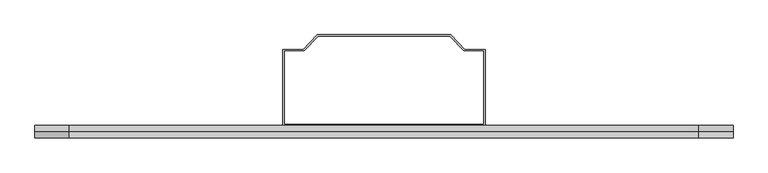
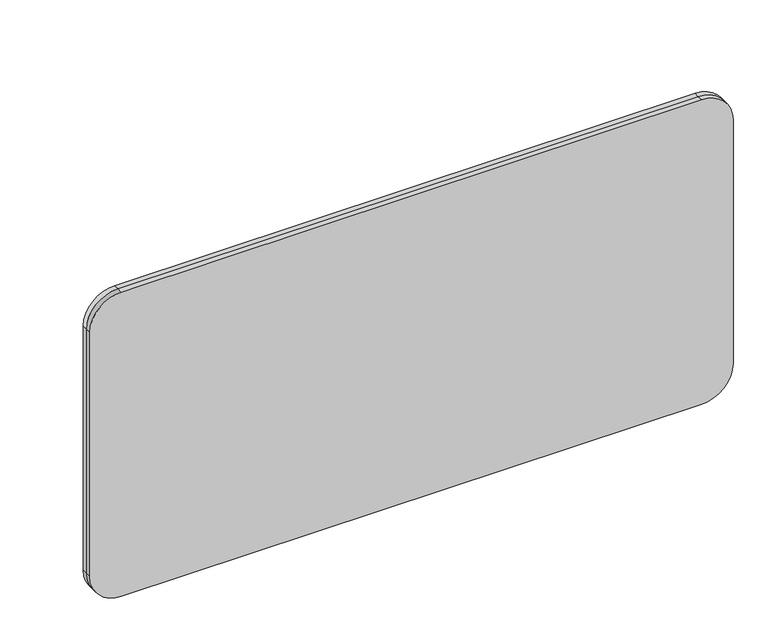
"""IFC4 building model written with IfcOpenShell, lengths in millimetres: furniture geometry."""

from ifc_helpers import new_model, si_unit, point, frame, frame_2d, origin, place, context, project, spatial, polyline, circle_curve, trimmed, segment, composite_curve, outline, extrude, faceted_brep, source, transform, mapped, element, save


def furniture_070557a1(model_context):
    return source(origin(), model_context, "Body", "SolidModel", [
        extrude(outline(composite_curve([segment(trimmed(circle_curve(frame_2d((343.0486731, 135.89)), 59.69), [point((343.0486731, 76.2))], [point((283.3586731, 135.89))], False, "CARTESIAN"), True, "CONTINUOUS"), segment(polyline([(283.3586731, 135.89), (283.3586731, 1235.71)]), True, "CONTINUOUS"), segment(trimmed(circle_curve(frame_2d((343.0486731, 1235.71)), 59.69), [point((283.3586731, 1235.71))], [point((343.0486731, 1295.4))], False, "CARTESIAN"), True, "CONTINUOUS"), segment(polyline([(343.0486731, 1295.4), (833.2686731, 1295.4)]), True, "CONTINUOUS"), segment(trimmed(circle_curve(frame_2d((833.2686731, 1235.71)), 59.69), [point((833.2686731, 1295.4))], [point((892.9586731, 1235.71))], False, "CARTESIAN"), True, "CONTINUOUS"), segment(polyline([(892.9586731, 1235.71), (892.9586731, 135.89)]), True, "CONTINUOUS"), segment(trimmed(circle_curve(frame_2d((833.2686731, 135.89)), 59.69), [point((892.9586731, 135.89))], [point((833.2686731, 76.2))], False, "CARTESIAN"), True, "CONTINUOUS"), segment(polyline([(833.2686731, 76.2), (343.0486731, 76.2)]), True, "CONTINUOUS")], self_intersect=False)), frame((0.0, -21.4710747, 0.0), z_axis=(0.0, 1.0, 0.0), x_axis=(0.0, 0.0, 1.0)), (0.0, 0.0, 1.0), 10.7355373),
        extrude(outline(composite_curve([segment(trimmed(circle_curve(frame_2d((343.0486731, 135.89)), 59.69), [point((343.0486731, 76.2))], [point((283.3586731, 135.89))], False, "CARTESIAN"), True, "CONTINUOUS"), segment(polyline([(283.3586731, 135.89), (283.3586731, 1235.71)]), True, "CONTINUOUS"), segment(trimmed(circle_curve(frame_2d((343.0486731, 1235.71)), 59.69), [point((283.3586731, 1235.71))], [point((343.0486731, 1295.4))], False, "CARTESIAN"), True, "CONTINUOUS"), segment(polyline([(343.0486731, 1295.4), (833.2686731, 1295.4)]), True, "CONTINUOUS"), segment(trimmed(circle_curve(frame_2d((833.2686731, 1235.71)), 59.69), [point((833.2686731, 1295.4))], [point((892.9586731, 1235.71))], False, "CARTESIAN"), True, "CONTINUOUS"), segment(polyline([(892.9586731, 1235.71), (892.9586731, 135.89)]), True, "CONTINUOUS"), segment(trimmed(circle_curve(frame_2d((833.2686731, 135.89)), 59.69), [point((892.9586731, 135.89))], [point((833.2686731, 76.2))], False, "CARTESIAN"), True, "CONTINUOUS"), segment(polyline([(833.2686731, 76.2), (343.0486731, 76.2)]), True, "CONTINUOUS")], self_intersect=False)), frame((0.0, -10.7355373, 0.0), z_axis=(0.0, 1.0, 0.0), x_axis=(0.0, 0.0, 1.0)), (0.0, 0.0, 1.0), 10.7355373),
        faceted_brep([(862.4037061, 0.0, 492.8885193), (862.4037061, 44.4641543, 492.8885193), (862.4037061, 76.6047044, 524.7385132), (862.4037061, 133.3624803, 524.7385132), (862.4037061, 133.3624803, 562.7385193), (862.4037061, 0.0, 562.7385193), (509.1962939, 0.0, 492.8885193), (509.1962939, 0.0, 562.7385193), (509.1962939, 133.3624803, 562.7385193), (509.1962939, 133.3624803, 524.7385132), (509.1962939, 76.6047044, 524.7385132), (509.1962939, 44.4641543, 492.8885193), (512.2442939, 44.4641543, 492.8885193), (512.2442939, 3.175, 492.8885193), (859.3557061, 3.175, 492.8885193), (859.3557061, 44.4641543, 492.8885193), (859.3557061, 76.6047044, 524.7385132), (512.2442939, 76.6047044, 524.7385132), (859.3557061, 130.3144803, 524.7385132), (825.3045173, 130.3144803, 524.7385132), (800.8906409, 155.7842435, 524.7385132), (570.7093591, 155.7842435, 524.7385132), (546.2954827, 130.3144803, 524.7385132), (512.2442939, 130.3144803, 524.7385132), (544.9950045, 133.3624803, 524.7385132), (569.4088808, 158.8322435, 524.7385132), (802.1911192, 158.8322435, 524.7385132), (826.6049955, 133.3624803, 524.7385132), (569.4088808, 158.8322435, 562.7385193), (802.1911192, 158.8322435, 562.7385193), (826.6049955, 133.3624803, 562.7385193), (544.9950045, 133.3624803, 562.7385193), (512.2442939, 130.3144803, 562.7385193), (546.2954827, 130.3144803, 562.7385193), (570.7093591, 155.7842435, 562.7385193), (800.8906409, 155.7842435, 562.7385193), (825.3045173, 130.3144803, 562.7385193), (859.3557061, 130.3144803, 562.7385193), (859.3557061, 3.175, 562.7385193), (512.2442939, 3.175, 562.7385193)], [[[0, 1, 2, 3, 4, 5]], [[6, 7, 8, 9, 10, 11]], [[1, 0, 6, 11, 12, 13, 14, 15]], [[2, 1, 15, 16]], [[11, 10, 17, 12]], [[3, 2, 16, 18, 19, 20, 21, 22, 23, 17, 10, 9, 24, 25, 26, 27]], [[26, 25, 28, 29]], [[7, 5, 4, 30, 29, 28, 31, 8], [32, 33, 34, 35, 36, 37, 38, 39]], [[0, 5, 7, 6]], [[24, 31, 28, 25]], [[31, 24, 9, 8]], [[27, 30, 4, 3]], [[30, 27, 26, 29]], [[22, 33, 32, 23]], [[23, 32, 39, 13, 12, 17]], [[13, 39, 38, 14]], [[14, 38, 37, 18, 16, 15]], [[18, 37, 36, 19]], [[19, 36, 35, 20]], [[20, 35, 34, 21]], [[33, 22, 21, 34]]]),
    ])


if __name__ == "__main__":
    model = new_model("IFC4")
    model_context = context("Model", 3, world=origin())
    ifc_project = project(units=[si_unit("LENGTHUNIT", "METRE", prefix="MILLI")], contexts=[model_context])
    site = spatial("IfcSite", under=ifc_project)
    building = spatial("IfcBuilding", under=site)
    placement = place(None, origin())
    furniture_shape = furniture_070557a1(model_context)
    element("IfcFurniture", 1, at=placement, inside=building, context=model_context, shape_type="MappedRepresentation", body=[
        mapped(furniture_shape, transform((0.0, 0.0, 0.0), x_axis=(1.0, 0.0, 0.0), y_axis=(0.0, 1.0, 0.0), z_axis=(0.0, 0.0, 1.0))),
    ])
    save(model, "model.ifc")
